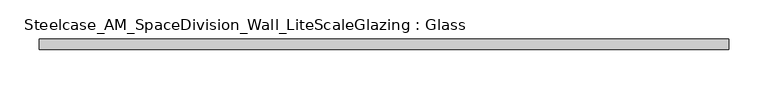
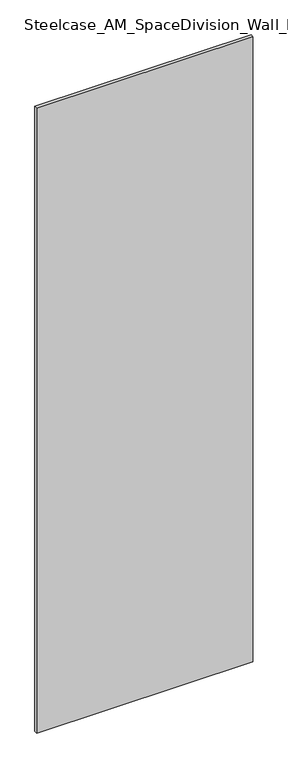
"""IFC4 building model written with IfcOpenShell, lengths in millimetres: plate geometry, Steelcase_AM_SpaceDivision_Wall_LiteScaleGlazing : Glass."""

import ifcopenshell
import ifcopenshell.guid

model = None  # the IFC model being written
_history = None  # IfcOwnerHistory: only IFC2X3 demands one
_inside = {}  # id of a spatial element -> (the spatial element, [elements in it])
_under = {}  # id of a project, library or spatial element -> (it, [spatial elements below it])
_declared = {}  # id of a project -> (the project, [libraries it declares])
_typed = {}  # id of a type object -> (the type object, [elements of that type])
_made_of = {}  # id of a material, layer set ... -> (it, [elements and type objects made of it])


def new_model(schema):
    """Start an empty IFC model of exactly this schema.

    Asked for "IFC4X3", IfcOpenShell would pick the latest addendum, in which some entities
    have other attributes; the version numbers below select the first issue.
    IFC2X3 requires an IfcOwnerHistory on every rooted entity: one is made here for all.
    """
    global model, _history
    if schema == "IFC4X3":
        model = ifcopenshell.file(schema_version=(4, 3, 0, 0))
    else:
        model = ifcopenshell.file(schema=schema)
    _inside.clear()
    _under.clear()
    _declared.clear()
    _typed.clear()
    _made_of.clear()
    _history = None
    if model.schema == "IFC2X3":
        org = make("IfcOrganization", Name="unknown")
        user = make(
            "IfcPersonAndOrganization",
            ThePerson=make("IfcPerson", FamilyName="unknown"),
            TheOrganization=org,
        )
        app = make(
            "IfcApplication",
            ApplicationDeveloper=org,
            Version="unknown",
            ApplicationFullName="unknown",
            ApplicationIdentifier="unknown",
        )
        _history = make(
            "IfcOwnerHistory",
            OwningUser=user,
            OwningApplication=app,
            ChangeAction="ADDED",
            CreationDate=0,
        )
    return model


def make(cls, **values):
    """One entity of the class cls with the attributes given. An attribute that is None is left unset."""
    return model.create_entity(
        cls, **{name: value for name, value in values.items() if value is not None}
    )


def rooted(cls, **values):
    """An entity with a GlobalId (a new one), such as an element, a storey or a relation."""
    return make(cls, GlobalId=ifcopenshell.guid.new(), OwnerHistory=_history, **values)


def si_unit(unit_type, name, prefix=None):
    """IfcSIUnit, for example si_unit("LENGTHUNIT", "METRE", prefix="MILLI")."""
    return make("IfcSIUnit", UnitType=unit_type, Prefix=prefix, Name=name)


def assignment(units):
    """IfcUnitAssignment: the units of a project."""
    return None if units is None else make("IfcUnitAssignment", Units=units)


def point(xyz):
    """IfcCartesianPoint."""
    return None if xyz is None else make("IfcCartesianPoint", Coordinates=xyz)


def direction(xyz):
    """IfcDirection."""
    return None if xyz is None else make("IfcDirection", DirectionRatios=xyz)


def frame(location, z_axis=None, x_axis=None):
    """IfcAxis2Placement3D, a coordinate frame: its origin and axes. An axis left out is left unset."""
    return make(
        "IfcAxis2Placement3D",
        Location=point(location),
        Axis=direction(z_axis),
        RefDirection=direction(x_axis),
    )


def origin():
    """The frame at (0, 0, 0) with its axes left unset."""
    return frame((0.0, 0.0, 0.0))


def origin_with_axes():
    """The frame at (0, 0, 0) with the z axis (0, 0, 1) and the x axis (1, 0, 0) written out."""
    return frame((0.0, 0.0, 0.0), z_axis=(0.0, 0.0, 1.0), x_axis=(1.0, 0.0, 0.0))


def place(relative_to, where):
    """IfcLocalPlacement: puts the frame where relative to a parent placement (None: the world)."""
    return make(
        "IfcLocalPlacement", PlacementRelTo=relative_to, RelativePlacement=where
    )


def context(
    kind, dimensions, precision=None, world=None, true_north=None, identifier=None
):
    """IfcGeometricRepresentationContext, for example the 3D "Model" context."""
    return make(
        "IfcGeometricRepresentationContext",
        ContextIdentifier=identifier,
        ContextType=kind,
        CoordinateSpaceDimension=dimensions,
        Precision=precision,
        WorldCoordinateSystem=world,
        TrueNorth=true_north,
    )


def project(units=None, contexts=None):
    """IfcProject with its units and contexts."""
    return rooted(
        "IfcProject",
        Name="project",
        RepresentationContexts=contexts,
        UnitsInContext=assignment(units),
    )


def spatial(cls, under=None, at=None, **own):
    """A site, building, storey or space (cls), placed at a placement, below another one or the project."""
    s = rooted(cls, ObjectPlacement=at, **own)
    if under is not None:
        _under.setdefault(under.id(), (under, []))[1].append(s)
    return s


def polyline(points):
    """IfcPolyline through the points."""
    return make("IfcPolyline", Points=[point(p) for p in points])


def outline(outer, holes=None, kind="AREA"):
    """IfcArbitraryClosedProfileDef: a profile drawn as a closed curve; with holes, ...WithVoids."""
    if holes is None:
        return make("IfcArbitraryClosedProfileDef", ProfileType=kind, OuterCurve=outer)
    return make(
        "IfcArbitraryProfileDefWithVoids",
        ProfileType=kind,
        OuterCurve=outer,
        InnerCurves=holes,
    )


def extrude(swept, where, along, depth):
    """IfcExtrudedAreaSolid: the profile swept, set in the frame where, extruded along a direction by depth."""
    return make(
        "IfcExtrudedAreaSolid",
        SweptArea=swept,
        Position=where,
        ExtrudedDirection=direction(along),
        Depth=depth,
    )


def shape(context_of_items, identifier, shape_type, items):
    """IfcShapeRepresentation: the items that make up one representation, for example the "Body"."""
    return make(
        "IfcShapeRepresentation",
        ContextOfItems=context_of_items,
        RepresentationIdentifier=identifier,
        RepresentationType=shape_type,
        Items=items,
    )


def source(mapping_origin, context_of_items, identifier, shape_type, items):
    """IfcRepresentationMap: a shape defined once, which mapped items show again and again."""
    return make(
        "IfcRepresentationMap",
        MappingOrigin=mapping_origin,
        MappedRepresentation=shape(context_of_items, identifier, shape_type, items),
    )


def transform(
    local_origin,
    x_axis=None,
    y_axis=None,
    z_axis=None,
    scale=None,
    scale2=None,
    scale3=None,
    uniform=True,
):
    """IfcCartesianTransformationOperator3D, or its non-uniform kind. x_axis, y_axis, z_axis: its Axis1, 2, 3."""
    if uniform:
        return make(
            "IfcCartesianTransformationOperator3D",
            Axis1=direction(x_axis),
            Axis2=direction(y_axis),
            LocalOrigin=point(local_origin),
            Scale=scale,
            Axis3=direction(z_axis),
        )
    return make(
        "IfcCartesianTransformationOperator3DnonUniform",
        Axis1=direction(x_axis),
        Axis2=direction(y_axis),
        LocalOrigin=point(local_origin),
        Scale=scale,
        Axis3=direction(z_axis),
        Scale2=scale2,
        Scale3=scale3,
    )


def mapped(mapping_source, mapping_target):
    """IfcMappedItem: shows the shape of a source again, moved by a transform."""
    return make(
        "IfcMappedItem", MappingSource=mapping_source, MappingTarget=mapping_target
    )


def made_of(thing, what):
    """Note that an element or type object is made of a material, layer set ...; save() writes the relation."""
    if what is not None:
        _made_of.setdefault(what.id(), (what, []))[1].append(thing)
    return thing


def element(
    cls,
    number,
    at=None,
    inside=None,
    cuts=None,
    type_object=None,
    material=None,
    context=None,
    identifier="Body",
    shape_type=None,
    held_by="IfcProductDefinitionShape",
    body=None,
    shapes=None,
    **own,
):
    """One element of the class cls, such as IfcWall. Its Tag is "e" and its number.

    at: its placement. inside: the storey or other place that contains it. cuts: it is an
    opening in that element (IfcRelVoidsElement). A single representation is given by context,
    identifier, shape_type and body (its items); several are given by shapes. held_by: the class
    of the entity that holds the representations. save() writes the other relations.
    """
    e = rooted(cls, Tag="e%d" % number, ObjectPlacement=at, **own)
    if body is not None:
        shapes = [shape(context, identifier, shape_type, body)]
    if shapes is not None:
        e.Representation = make(held_by, Representations=shapes)
    if inside is not None:
        _inside.setdefault(inside.id(), (inside, []))[1].append(e)
    if cuts is not None:
        rooted(
            "IfcRelVoidsElement", RelatingBuildingElement=cuts, RelatedOpeningElement=e
        )
    if type_object is not None:
        _typed.setdefault(type_object.id(), (type_object, []))[1].append(e)
    return made_of(e, material)


def aggregate(whole, parts):
    """IfcRelAggregates: a whole, such as a stair, and the parts it consists of."""
    return rooted("IfcRelAggregates", RelatingObject=whole, RelatedObjects=parts)


def save(model, path):
    """Write the relations noted so far, then the file.

    IfcRelAggregates (storeys below a building ...), IfcRelContainedInSpatialStructure (elements
    in a storey), IfcRelDefinesByType, IfcRelAssociatesMaterial and IfcRelDeclares: one each for
    every whole, place, type object, material and project.
    """
    for whole, parts in _under.values():
        aggregate(whole, parts)
    for where, things in _inside.values():
        rooted(
            "IfcRelContainedInSpatialStructure",
            RelatedElements=things,
            RelatingStructure=where,
        )
    for kind, things in _typed.values():
        rooted("IfcRelDefinesByType", RelatedObjects=things, RelatingType=kind)
    for what, things in _made_of.values():
        rooted("IfcRelAssociatesMaterial", RelatedObjects=things, RelatingMaterial=what)
    for by, libraries in _declared.values():
        rooted("IfcRelDeclares", RelatingContext=by, RelatedDefinitions=libraries)
    model.write(path)


def steelcase_am_spacedivision_wall_litescaleglazing_glass_6a929331(model_context):
    return source(origin(), model_context, "Body", "SweptSolid", [
        extrude(outline(polyline([(-436.118, -6.349956), (-436.118, 6.3502015), (436.118, 6.3502015), (436.118, -6.349956), (-436.118, -6.349956)])), origin_with_axes(), (0.0, 0.0, 1.0), 2665.984),
    ])


if __name__ == "__main__":
    model = new_model("IFC4")
    model_context = context("Model", 3, world=origin())
    ifc_project = project(units=[si_unit("LENGTHUNIT", "METRE", prefix="MILLI")], contexts=[model_context])
    site = spatial("IfcSite", under=ifc_project)
    building = spatial("IfcBuilding", under=site)
    placement = place(None, origin())
    steelcase_am_spacedivision_wall_litescaleglazing_glass_shape = steelcase_am_spacedivision_wall_litescaleglazing_glass_6a929331(model_context)
    element("IfcPlate", 1, ObjectType="Steelcase_AM_SpaceDivision_Wall_LiteScaleGlazing : Glass", at=placement, inside=building, context=model_context, shape_type="MappedRepresentation", body=[
        mapped(steelcase_am_spacedivision_wall_litescaleglazing_glass_shape, transform((0.0, 0.0, 0.0), x_axis=(1.0, 0.0, 0.0), y_axis=(0.0, 1.0, 0.0), z_axis=(0.0, 0.0, 1.0))),
    ])
    save(model, "model.ifc")
